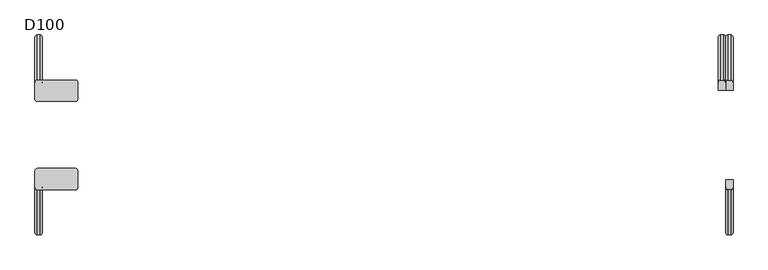
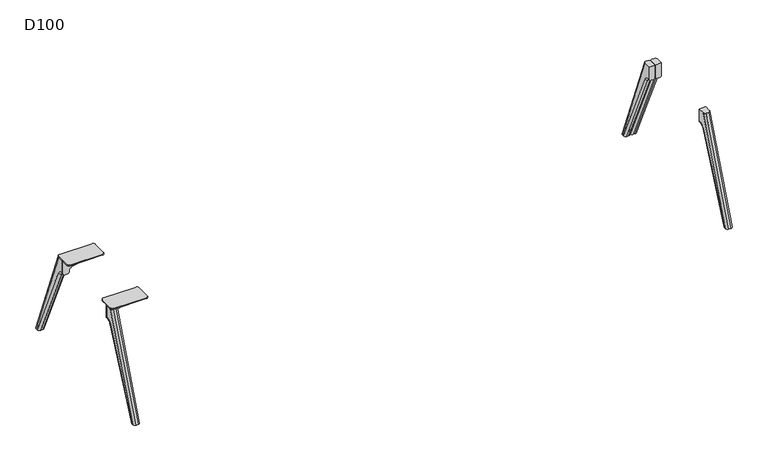
"""IFC4 building model written with IfcOpenShell, lengths in millimetres: furniture geometry, D100."""

from ifc_helpers import new_model, si_unit, point, frame, origin, place, context, project, spatial, polyline, circle_curve, ellipse_curve, trimmed, source, transform, mapped, element, save
from ifc_brep_helpers import plane_surface, cylinder_surface, revolved_surface, advanced_brep


def d100_f9f9dcb7(model_context):
    return source(origin(), model_context, "Body", "AdvancedBrep", [
        advanced_brep(
        [(990.0, 270.7236545, 700.0), (990.0, 316.6217076, 700.0), (990.0, 589.8218305, 0.0), (990.0, 579.4203292, 0.0), (990.0, 319.3435487, 580.82862), (990.0, 272.7758244, 611.0), (990.0, 270.7236545, 611.0), (1035.0, 316.6217076, 700.0), (1035.0, 270.7236545, 700.0), (1035.0, 270.7236545, 611.0), (1035.0, 272.7758244, 611.0), (1035.0, 319.3435487, 580.82862), (1035.0, 579.4203292, 0.0), (1035.0, 589.8218305, 0.0), (1020.0, 332.7236545, 700.0), (1005.0, 332.7236545, 700.0), (1020.0, 605.9237773, 0.0), (1005.0, 605.9237773, 0.0), (1020.0, 562.9852524, 0.0), (1005.0, 562.9852524, 0.0), (1020.0, 305.6533176, 574.6985653), (1005.0, 305.6533176, 574.6985653), (1020.0, 272.7758244, 596.0), (1005.0, 272.7758244, 596.0), (1020.0, 270.7236545, 596.0), (1005.0, 270.7236545, 596.0)],
        [
            (0, 1),
            (1, 2),
            (2, 3),
            (3, 4),
            (4, 5, circle_curve(frame((990.0, 272.7758244, 559.9770583), z_axis=(1.0, 0.0, 0.0), x_axis=(0.0, 0.0, 1.0)), 51.0229417)),
            (5, 6),
            (6, 0),
            (7, 8),
            (8, 9),
            (9, 10),
            (10, 11, circle_curve(frame((1035.0, 272.7758244, 559.9770583), z_axis=(-1.0, 0.0, 0.0), x_axis=(0.0, 0.0, 1.0)), 51.0229417)),
            (11, 12),
            (12, 13),
            (13, 7),
            (0, 8),
            (7, 14, ellipse_curve(frame((1020.0, 316.6217076, 700.0), z_axis=(0.0, 0.0, 1.0), x_axis=(0.0, -1.0, 0.0)), 16.1019468, 15.0)),
            (14, 15),
            (15, 1, ellipse_curve(frame((1005.0, 316.6217076, 700.0), z_axis=(0.0, 0.0, 1.0), x_axis=(0.0, -1.0, 0.0)), 16.1019468, 15.0)),
            (14, 16),
            (16, 17),
            (17, 15),
            (16, 13, ellipse_curve(frame((1020.0, 589.8218305, 0.0), z_axis=(0.0, 0.0, -1.0), x_axis=(0.0, -0.9999999999999999, 0.0)), 16.1019468, 15.0)),
            (12, 18, ellipse_curve(frame((1020.0, 579.4203292, 0.0), z_axis=(0.0, 0.0, -1.0), x_axis=(0.0, 0.9999999999999999, 0.0)), 16.4350768, 15.0)),
            (18, 19),
            (19, 3, ellipse_curve(frame((1005.0, 579.4203292, 0.0), z_axis=(0.0, 0.0, -1.0), x_axis=(0.0, 0.9999999999999999, 0.0)), 16.4350768, 15.0)),
            (2, 17, ellipse_curve(frame((1005.0, 589.8218305, 0.0), z_axis=(0.0, 0.0, -1.0), x_axis=(0.0, -0.9999999999999999, 0.0)), 16.1019468, 15.0)),
            (18, 20),
            (20, 21),
            (21, 19),
            (20, 22, circle_curve(frame((1020.0, 272.7758244, 559.9770583), z_axis=(1.0, 0.0, 0.0), x_axis=(0.0, -1.0, 0.0)), 36.0229417)),
            (22, 23),
            (23, 21, circle_curve(frame((1005.0, 272.7758244, 559.9770583), z_axis=(-1.0, 0.0, 0.0), x_axis=(0.0, -1.0, 0.0)), 36.0229417)),
            (22, 24),
            (24, 25),
            (25, 23),
            (6, 25, circle_curve(frame((1005.0, 270.7236545, 611.0), z_axis=(0.0, -1.0, 0.0), x_axis=(0.0, 0.0, -1.0)), 15.0)),
            (24, 9, circle_curve(frame((1020.0, 270.7236545, 611.0), z_axis=(0.0, -1.0, 0.0), x_axis=(0.0, 0.0, -1.0)), 15.0)),
            (22, 10, circle_curve(frame((1020.0, 272.7758244, 611.0), z_axis=(0.0, -1.0, 0.0), x_axis=(0.0, 0.0, -1.0)), 15.0)),
            (5, 23, circle_curve(frame((1005.0, 272.7758244, 611.0), z_axis=(0.0, -1.0, 0.0), x_axis=(0.0, 0.0, -1.0)), 15.0)),
            (11, 20, circle_curve(frame((1020.0, 319.3435487, 580.82862), z_axis=(0.0, 0.40867031649691005, -0.9126820763082376), x_axis=(0.0, -0.9126820763082376, -0.40867031649691005)), 15.0)),
            (21, 4, circle_curve(frame((1005.0, 319.3435487, 580.82862), z_axis=(0.0, 0.40867031649691005, -0.9126820763082376), x_axis=(0.0, -0.9126820763082376, -0.40867031649691005)), 15.0)),
        ],
        [
            plane_surface(frame((990.0, 291.5455549, 700.0), z_axis=(-1.0, 0.0, 0.0), x_axis=(0.0, 1.0, 0.0))),
            plane_surface(frame((1035.0, 291.5455549, 700.0), z_axis=(1.0, 0.0, 0.0), x_axis=(0.0, -1.0, 0.0))),
            plane_surface(frame((990.0, 270.7236545, 700.0), z_axis=(0.0, 0.0, 1.0), x_axis=(1.0, 0.0, 0.0))),
            plane_surface(frame((990.0, 332.7236545, 700.0), z_axis=(0.0, 0.9315643722265751, 0.3635764299265108), x_axis=(1.0, 0.0, 0.0))),
            plane_surface(frame((990.0, 605.9237773, 0.0), z_axis=(0.0, 0.0, -1.0), x_axis=(1.0, 0.0, 0.0))),
            plane_surface(frame((990.0, 562.9852524, 0.0), z_axis=(0.0, -0.9126820763082374, -0.4086703164969102), x_axis=(1.0, 0.0, 0.0))),
            revolved_surface(polyline([(1020.0, 236.7528827, 559.9770583), (1005.0, 236.7528827, 559.9770583)]), (1035.0, 272.7758244, 559.9770583), (1.0, 0.0, 0.0)),
            plane_surface(frame((990.0, 272.7758244, 596.0), z_axis=(0.0, 0.0, -1.0), x_axis=(1.0, 0.0, 0.0))),
            plane_surface(frame((990.0, 270.7236545, 596.0), z_axis=(0.0, -1.0, 0.0), x_axis=(1.0, 0.0, 0.0))),
            cylinder_surface(frame((1020.0, 599.6644228, -25.2189296), z_axis=(0.0, -0.3635764299265101, 0.9315643722265754), x_axis=(0.0, 0.9315643722265754, 0.3635764299265101)), 15.0),
            cylinder_surface(frame((1005.0, 599.6644228, -25.2189296), z_axis=(0.0, -0.3635764299265101, 0.9315643722265754), x_axis=(0.0, 0.9315643722265754, 0.3635764299265101)), 15.0),
            cylinder_surface(frame((1020.0, -272.7758244, 611.0), z_axis=(0.0, 1.0, 0.0), x_axis=(0.0, 0.0, -1.0)), 15.0),
            cylinder_surface(frame((1005.0, -272.7758244, 611.0), z_axis=(0.0, 1.0, 0.0), x_axis=(0.0, 0.0, -1.0)), 15.0),
            cylinder_surface(frame((1020.0, 319.3435487, 580.82862), z_axis=(0.0, 0.40867031649691005, -0.9126820763082376), x_axis=(0.0, -0.9126820763082376, -0.40867031649691005)), 15.0),
            cylinder_surface(frame((1005.0, 319.3435487, 580.82862), z_axis=(0.0, 0.40867031649691005, -0.9126820763082376), x_axis=(0.0, -0.9126820763082376, -0.40867031649691005)), 15.0),
            revolved_surface(trimmed(ellipse_curve(frame((1020.0, 272.7758244, 611.0), z_axis=(0.0, -1.0, 0.0), x_axis=(0.0, 0.0, -1.0)), 15.0, 15.0), [point((1020.0, 272.7758244, 596.0))], [point((1035.0, 272.7758244, 611.0))], True, "CARTESIAN"), (253.0, 272.7758244, 559.9770583), (-1.0, 0.0, 0.0)),
            revolved_surface(trimmed(ellipse_curve(frame((1005.0, 272.7758244, 611.0), z_axis=(0.0, -1.0, 0.0), x_axis=(0.0, 0.0, -1.0)), 15.0, 15.0), [point((990.0, 272.7758244, 611.0))], [point((1005.0, 272.7758244, 596.0))], True, "CARTESIAN"), (253.0, 272.7758244, 559.9770583), (-1.0, 0.0, 0.0)),
        ],
        [
            (0, [[1, 2, 3, 4, 5, 6, 7]]),
            (1, [[8, 9, 10, 11, 12, 13, 14]]),
            (2, [[15, -8, 16, 17, 18, -1]]),
            (3, [[-17, 19, 20, 21]]),
            (4, [[-20, 22, -13, 23, 24, 25, -3, 26]]),
            (5, [[-24, 27, 28, 29]]),
            (6, [[-28, 30, 31, 32]]),
            (7, [[-31, 33, 34, 35]]),
            (8, [[-15, -7, 36, -34, 37, -9]]),
            (9, [[-14, -22, -19, -16]]),
            (10, [[-2, -18, -21, -26]]),
            (11, [[38, -10, -37, -33]]),
            (12, [[39, -35, -36, -6]]),
            (13, [[40, -27, -23, -12]]),
            (14, [[41, -4, -25, -29]]),
            (15, [[-38, -30, -40, -11]]),
            (16, [[-39, -5, -41, -32]]),
        ],
    ),
        advanced_brep(
        [(1035.0, 272.7758244, 611.0), (1050.0, 272.7758244, 596.0), (1050.0, 270.7236545, 596.0), (1035.0, 270.7236545, 611.0), (1065.0, 272.7758244, 596.0), (1080.0, 272.7758244, 611.0), (1080.0, 270.7236545, 611.0), (1065.0, 270.7236545, 596.0), (1050.0, 305.6533176, 574.6985653), (1035.0, 319.3435487, 580.82862), (1035.0, 579.4203292, 0.0), (1050.0, 562.9852524, 0.0), (1080.0, 319.3435487, 580.82862), (1065.0, 305.6533176, 574.6985653), (1065.0, 562.9852524, 0.0), (1080.0, 579.4203292, 0.0), (1080.0, 270.7236545, 700.0), (1080.0, 589.8218305, 0.0), (1080.0, 316.6217076, 700.0), (1035.0, 270.7236545, 700.0), (1035.0, 316.6217076, 700.0), (1035.0, 589.8218305, 0.0), (1065.0, 332.7236545, 700.0), (1050.0, 332.7236545, 700.0), (1065.0, 605.9237773, 0.0), (1050.0, 605.9237773, 0.0)],
        [
            (0, 1, circle_curve(frame((1050.0, 272.7758244, 611.0), z_axis=(0.0, -1.0, 0.0), x_axis=(0.0, 0.0, 1.0)), 15.0)),
            (1, 2),
            (2, 3, circle_curve(frame((1050.0, 270.7236545, 611.0), z_axis=(0.0, 1.0, 0.0), x_axis=(0.0, 0.0, 1.0)), 15.0)),
            (3, 0),
            (4, 5, circle_curve(frame((1065.0, 272.7758244, 611.0), z_axis=(0.0, -1.0, 0.0), x_axis=(0.0, 0.0, 1.0)), 15.0)),
            (5, 6),
            (6, 7, circle_curve(frame((1065.0, 270.7236545, 611.0), z_axis=(0.0, 1.0, 0.0), x_axis=(0.0, 0.0, 1.0)), 15.0)),
            (7, 4),
            (8, 9, circle_curve(frame((1050.0, 319.3435487, 580.82862), z_axis=(0.0, 0.40867031649691005, -0.9126820763082376), x_axis=(0.0, 0.9126820763082376, 0.40867031649691005)), 15.0)),
            (9, 10),
            (10, 11, ellipse_curve(frame((1050.0, 579.4203292, 0.0), z_axis=(0.0, 0.0, 1.0), x_axis=(0.0, 0.9999999999999999, 0.0)), 16.4350768, 15.0)),
            (11, 8),
            (12, 13, circle_curve(frame((1065.0, 319.3435487, 580.82862), z_axis=(0.0, 0.40867031649691005, -0.9126820763082376), x_axis=(0.0, 0.9126820763082376, 0.40867031649691005)), 15.0)),
            (13, 14),
            (14, 15, ellipse_curve(frame((1065.0, 579.4203292, 0.0), z_axis=(0.0, 0.0, 1.0), x_axis=(0.0, 0.9999999999999999, 0.0)), 16.4350768, 15.0)),
            (15, 12),
            (0, 9, circle_curve(frame((1035.0, 272.7758244, 559.9770583), z_axis=(-1.0, 0.0, 0.0), x_axis=(0.0, 0.0, 1.0)), 51.0229417)),
            (8, 1, circle_curve(frame((1050.0, 272.7758244, 559.9770583), z_axis=(1.0, 0.0, 0.0), x_axis=(0.0, 0.0, 1.0)), 36.0229417)),
            (4, 13, circle_curve(frame((1065.0, 272.7758244, 559.9770583), z_axis=(-1.0, 0.0, 0.0), x_axis=(0.0, 0.0, 1.0)), 36.0229417)),
            (12, 5, circle_curve(frame((1080.0, 272.7758244, 559.9770583), z_axis=(1.0, 0.0, 0.0), x_axis=(0.0, 0.0, 1.0)), 51.0229417)),
            (16, 6),
            (15, 17),
            (17, 18),
            (18, 16),
            (3, 19),
            (19, 20),
            (20, 21),
            (21, 10),
            (19, 16),
            (18, 22, ellipse_curve(frame((1065.0, 316.6217076, 700.0), z_axis=(0.0, 0.0, 1.0), x_axis=(0.0, -1.0, 0.0)), 16.1019468, 15.0)),
            (22, 23),
            (23, 20, ellipse_curve(frame((1050.0, 316.6217076, 700.0), z_axis=(0.0, 0.0, 1.0), x_axis=(0.0, -1.0, 0.0)), 16.1019468, 15.0)),
            (22, 24),
            (24, 25),
            (25, 23),
            (14, 11),
            (21, 25, ellipse_curve(frame((1050.0, 589.8218305, 0.0), z_axis=(0.0, 0.0, -1.0), x_axis=(0.0, -0.9999999999999999, 0.0)), 16.1019468, 15.0)),
            (24, 17, ellipse_curve(frame((1065.0, 589.8218305, 0.0), z_axis=(0.0, 0.0, -1.0), x_axis=(0.0, -0.9999999999999999, 0.0)), 16.1019468, 15.0)),
            (13, 8),
            (4, 1),
            (7, 2),
        ],
        [
            cylinder_surface(frame((1050.0, -272.7758244, 611.0), z_axis=(0.0, 1.0, 0.0), x_axis=(0.0, 0.0, 1.0)), 15.0),
            cylinder_surface(frame((1065.0, -272.7758244, 611.0), z_axis=(0.0, 1.0, 0.0), x_axis=(0.0, 0.0, 1.0)), 15.0),
            cylinder_surface(frame((1050.0, 319.3435487, 580.82862), z_axis=(0.0, 0.40867031649691005, -0.9126820763082376), x_axis=(0.0, 0.9126820763082376, 0.40867031649691005)), 15.0),
            cylinder_surface(frame((1065.0, 319.3435487, 580.82862), z_axis=(0.0, 0.40867031649691005, -0.9126820763082376), x_axis=(0.0, 0.9126820763082376, 0.40867031649691005)), 15.0),
            revolved_surface(trimmed(ellipse_curve(frame((1050.0, 272.7758244, 611.0), z_axis=(0.0, -1.0, 0.0), x_axis=(0.0, 0.0, 1.0)), 15.0, 15.0), [point((1035.0, 272.7758244, 611.0))], [point((1050.0, 272.7758244, 596.0))], True, "CARTESIAN"), (1817.0, 272.7758244, 559.9770583), (-1.0, 0.0, 0.0)),
            revolved_surface(trimmed(ellipse_curve(frame((1065.0, 272.7758244, 611.0), z_axis=(0.0, -1.0, 0.0), x_axis=(0.0, 0.0, 1.0)), 15.0, 15.0), [point((1065.0, 272.7758244, 596.0))], [point((1080.0, 272.7758244, 611.0))], True, "CARTESIAN"), (1817.0, 272.7758244, 559.9770583), (-1.0, 0.0, 0.0)),
            plane_surface(frame((1080.0, 270.7236545, 596.0), z_axis=(1.0, 0.0, 0.0), x_axis=(0.0, 0.0, -1.0))),
            plane_surface(frame((1035.0, 270.7236545, 596.0), z_axis=(-1.0, 0.0, 0.0), x_axis=(0.0, 0.0, 1.0))),
            plane_surface(frame((1080.0, 332.7236545, 700.0), z_axis=(0.0, 0.0, 1.0), x_axis=(-1.0, 0.0, 0.0))),
            plane_surface(frame((1080.0, 605.9237773, 0.0), z_axis=(0.0, 0.9315643722265751, 0.3635764299265108), x_axis=(-1.0, 0.0, 0.0))),
            plane_surface(frame((1080.0, 562.9852524, 0.0), z_axis=(0.0, 0.0, -1.0), x_axis=(-1.0, 0.0, 0.0))),
            plane_surface(frame((1080.0, 305.6533176, 574.6985653), z_axis=(0.0, -0.9126820763082374, -0.4086703164969102), x_axis=(-1.0, 0.0, 0.0))),
            revolved_surface(polyline([(1050.0, 236.7528827, 559.9770583), (1065.0, 236.7528827, 559.9770583)]), (1035.0, 272.7758244, 559.9770583), (-1.0, 0.0, 0.0)),
            plane_surface(frame((1080.0, 270.7236545, 596.0), z_axis=(0.0, 0.0, -1.0), x_axis=(-1.0, 0.0, 0.0))),
            plane_surface(frame((1080.0, 270.7236545, 700.0), z_axis=(0.0, -1.0, 0.0), x_axis=(-1.0, 0.0, 0.0))),
            cylinder_surface(frame((1050.0, 599.6644228, -25.2189296), z_axis=(0.0, -0.3635764299265101, 0.9315643722265754), x_axis=(0.0, -0.9315643722265754, -0.3635764299265101)), 15.0),
            cylinder_surface(frame((1065.0, 599.6644228, -25.2189296), z_axis=(0.0, -0.3635764299265101, 0.9315643722265754), x_axis=(0.0, -0.9315643722265754, -0.3635764299265101)), 15.0),
        ],
        [
            (0, [[1, 2, 3, 4]]),
            (1, [[5, 6, 7, 8]]),
            (2, [[9, 10, 11, 12]]),
            (3, [[13, 14, 15, 16]]),
            (4, [[-1, 17, -9, 18]]),
            (5, [[-5, 19, -13, 20]]),
            (6, [[21, -6, -20, -16, 22, 23, 24]]),
            (7, [[25, 26, 27, 28, -10, -17, -4]]),
            (8, [[29, -24, 30, 31, 32, -26]]),
            (9, [[-31, 33, 34, 35]]),
            (10, [[36, -11, -28, 37, -34, 38, -22, -15]]),
            (11, [[-36, -14, 39, -12]]),
            (12, [[-39, -19, 40, -18]]),
            (13, [[-40, -8, 41, -2]]),
            (14, [[-29, -25, -3, -41, -7, -21]]),
            (15, [[-27, -32, -35, -37]]),
            (16, [[-23, -38, -33, -30]]),
        ],
    ),
        advanced_brep(
        [(1080.0, -270.7236545, 700.0), (1080.0, -316.6217076, 700.0), (1080.0, -589.8218305, 0.0), (1080.0, -579.4203292, 0.0), (1080.0, -319.3435487, 580.82862), (1080.0, -272.7758244, 611.0), (1080.0, -270.7236545, 611.0), (1035.0, -316.6217076, 700.0), (1035.0, -270.7236545, 700.0), (1035.0, -270.7236545, 611.0), (1035.0, -272.7758244, 611.0), (1035.0, -319.3435487, 580.82862), (1035.0, -579.4203292, 0.0), (1035.0, -589.8218305, 0.0), (1050.0, -332.7236545, 700.0), (1065.0, -332.7236545, 700.0), (1050.0, -605.9237773, 0.0), (1065.0, -605.9237773, 0.0), (1050.0, -562.9852524, 0.0), (1065.0, -562.9852524, 0.0), (1050.0, -305.6533176, 574.6985653), (1065.0, -305.6533176, 574.6985653), (1050.0, -272.7758244, 596.0), (1065.0, -272.7758244, 596.0), (1050.0, -270.7236545, 596.0), (1065.0, -270.7236545, 596.0)],
        [
            (0, 1),
            (1, 2),
            (2, 3),
            (3, 4),
            (4, 5, circle_curve(frame((1080.0, -272.7758244, 559.9770583), z_axis=(-1.0, 0.0, 0.0), x_axis=(0.0, -0.9126820763082377, 0.4086703164969095)), 51.0229417)),
            (5, 6),
            (6, 0),
            (7, 8),
            (8, 9),
            (9, 10),
            (10, 11, circle_curve(frame((1035.0, -272.7758244, 559.9770583), z_axis=(1.0, 0.0, 0.0), x_axis=(0.0, -0.9126820763082377, 0.4086703164969095)), 51.0229417)),
            (11, 12),
            (12, 13),
            (13, 7),
            (0, 8),
            (7, 14, ellipse_curve(frame((1050.0, -316.6217076, 700.0), z_axis=(0.0, 0.0, 1.0), x_axis=(0.0, 1.0, 0.0)), 16.1019468, 15.0)),
            (14, 15),
            (15, 1, ellipse_curve(frame((1065.0, -316.6217076, 700.0), z_axis=(0.0, 0.0, 1.0), x_axis=(0.0, 1.0, 0.0)), 16.1019468, 15.0)),
            (14, 16),
            (16, 17),
            (17, 15),
            (16, 13, ellipse_curve(frame((1050.0, -589.8218305, 0.0), z_axis=(0.0, 0.0, -1.0), x_axis=(0.0, 0.9999999999999999, 0.0)), 16.1019468, 15.0)),
            (12, 18, ellipse_curve(frame((1050.0, -579.4203292, 0.0), z_axis=(0.0, 0.0, -1.0), x_axis=(0.0, 1.0, 0.0)), 16.4350768, 15.0)),
            (18, 19),
            (19, 3, ellipse_curve(frame((1065.0, -579.4203292, 0.0), z_axis=(0.0, 0.0, -1.0), x_axis=(0.0, 1.0, 0.0)), 16.4350768, 15.0)),
            (2, 17, ellipse_curve(frame((1065.0, -589.8218305, 0.0), z_axis=(0.0, 0.0, -1.0), x_axis=(0.0, 0.9999999999999999, 0.0)), 16.1019468, 15.0)),
            (18, 20),
            (20, 21),
            (21, 19),
            (20, 22, circle_curve(frame((1050.0, -272.7758244, 559.9770583), z_axis=(-1.0, 0.0, 0.0), x_axis=(0.0, 1.0, 0.0)), 36.0229417)),
            (22, 23),
            (23, 21, circle_curve(frame((1065.0, -272.7758244, 559.9770583), z_axis=(1.0, 0.0, 0.0), x_axis=(0.0, 1.0, 0.0)), 36.0229417)),
            (22, 24),
            (24, 25),
            (25, 23),
            (6, 25, circle_curve(frame((1065.0, -270.7236545, 611.0), z_axis=(0.0, 1.0, 0.0), x_axis=(0.0, 0.0, 1.0)), 15.0)),
            (24, 9, circle_curve(frame((1050.0, -270.7236545, 611.0), z_axis=(0.0, 1.0, 0.0), x_axis=(0.0, 0.0, 1.0)), 15.0)),
            (11, 20, circle_curve(frame((1050.0, -319.3435487, 580.82862), z_axis=(0.0, -0.40867031649690977, -0.9126820763082376), x_axis=(0.0, -0.9126820763082376, 0.40867031649690977)), 15.0)),
            (21, 4, circle_curve(frame((1065.0, -319.3435487, 580.82862), z_axis=(0.0, -0.40867031649690977, -0.9126820763082376), x_axis=(0.0, -0.9126820763082376, 0.40867031649690977)), 15.0)),
            (22, 10, circle_curve(frame((1050.0, -272.7758244, 611.0), z_axis=(0.0, 1.0, 0.0), x_axis=(0.0, 0.0, 1.0)), 15.0)),
            (5, 23, circle_curve(frame((1065.0, -272.7758244, 611.0), z_axis=(0.0, 1.0, 0.0), x_axis=(0.0, 0.0, 1.0)), 15.0)),
        ],
        [
            plane_surface(frame((1080.0, -291.5455549, 700.0), z_axis=(1.0, 0.0, 0.0), x_axis=(0.0, -1.0, 0.0))),
            plane_surface(frame((1035.0, -291.5455549, 700.0), z_axis=(-1.0, 0.0, 0.0), x_axis=(0.0, 1.0, 0.0))),
            plane_surface(frame((1080.0, -270.7236545, 700.0), z_axis=(0.0, 0.0, 1.0), x_axis=(-1.0, 0.0, 0.0))),
            plane_surface(frame((1080.0, -332.7236545, 700.0), z_axis=(0.0, -0.9315643722265751, 0.3635764299265108), x_axis=(-1.0, 0.0, 0.0))),
            plane_surface(frame((1080.0, -605.9237773, 0.0), z_axis=(0.0, 0.0, -1.0), x_axis=(-1.0, 0.0, 0.0))),
            plane_surface(frame((1080.0, -562.9852524, 0.0), z_axis=(0.0, 0.9126820763082375, -0.4086703164969101), x_axis=(-1.0, 0.0, 0.0))),
            revolved_surface(polyline([(1050.0, -236.7528827, 559.9770583), (1065.0, -236.7528827, 559.9770583)]), (1035.0, -272.7758244, 559.9770583), (-1.0, 0.0, 0.0)),
            plane_surface(frame((1080.0, -272.7758244, 596.0), z_axis=(0.0, 0.0, -1.0), x_axis=(-1.0, 0.0, 0.0))),
            plane_surface(frame((1080.0, -270.7236545, 596.0), z_axis=(0.0, 1.0, 0.0), x_axis=(-1.0, 0.0, 0.0))),
            cylinder_surface(frame((1050.0, -599.6644228, -25.2189296), z_axis=(0.0, 0.3635764299265101, 0.9315643722265754), x_axis=(0.0, -0.9315643722265754, 0.3635764299265101)), 15.0),
            cylinder_surface(frame((1065.0, -599.6644228, -25.2189296), z_axis=(0.0, 0.3635764299265101, 0.9315643722265754), x_axis=(0.0, -0.9315643722265754, 0.3635764299265101)), 15.0),
            cylinder_surface(frame((1050.0, -584.7803586, -11.9705362), z_axis=(0.0, 0.40867031649690977, 0.9126820763082376), x_axis=(0.0, -0.9126820763082376, 0.40867031649690977)), 15.0),
            cylinder_surface(frame((1065.0, -584.7803586, -11.9705362), z_axis=(0.0, 0.40867031649690977, 0.9126820763082376), x_axis=(0.0, -0.9126820763082376, 0.40867031649690977)), 15.0),
            cylinder_surface(frame((1050.0, -272.7758244, 611.0), z_axis=(0.0, 1.0, 0.0), x_axis=(0.0, 0.0, 1.0)), 15.0),
            cylinder_surface(frame((1065.0, -272.7758244, 611.0), z_axis=(0.0, 1.0, 0.0), x_axis=(0.0, 0.0, 1.0)), 15.0),
            revolved_surface(trimmed(ellipse_curve(frame((1050.0, -319.3435487, 580.82862), z_axis=(0.0, -0.4086703164969093, -0.9126820763082378), x_axis=(0.0, -0.9126820763082378, 0.4086703164969093)), 15.0, 15.0), [point((1035.0, -319.3435487, 580.82862))], [point((1050.0, -305.6533176, 574.6985653))], True, "CARTESIAN"), (1817.0, -272.7758244, 559.9770583), (-1.0, 0.0, 0.0)),
            revolved_surface(trimmed(ellipse_curve(frame((1065.0, -319.3435487, 580.82862), z_axis=(0.0, -0.4086703164969093, -0.9126820763082378), x_axis=(0.0, -0.9126820763082378, 0.4086703164969093)), 15.0, 15.0), [point((1065.0, -305.6533176, 574.6985653))], [point((1080.0, -319.3435487, 580.82862))], True, "CARTESIAN"), (1817.0, -272.7758244, 559.9770583), (-1.0, 0.0, 0.0)),
        ],
        [
            (0, [[1, 2, 3, 4, 5, 6, 7]]),
            (1, [[8, 9, 10, 11, 12, 13, 14]]),
            (2, [[15, -8, 16, 17, 18, -1]]),
            (3, [[-17, 19, 20, 21]]),
            (4, [[-20, 22, -13, 23, 24, 25, -3, 26]]),
            (5, [[-24, 27, 28, 29]]),
            (6, [[-28, 30, 31, 32]]),
            (7, [[-31, 33, 34, 35]]),
            (8, [[-15, -7, 36, -34, 37, -9]]),
            (9, [[-14, -22, -19, -16]]),
            (10, [[-2, -18, -21, -26]]),
            (11, [[38, -27, -23, -12]]),
            (12, [[39, -4, -25, -29]]),
            (13, [[40, -10, -37, -33]]),
            (14, [[41, -35, -36, -6]]),
            (15, [[-38, -11, -40, -30]]),
            (16, [[-39, -32, -41, -5]]),
        ],
    ),
        advanced_brep(
        [(-3079.2740174, 270.7236545, 641.5327762), (-3104.0036896, 270.7236545, 611.3326759), (-3119.0, 270.7236545, 596.0), (-3134.0, 270.7236545, 596.0), (-3149.0, 270.7236545, 611.0), (-3149.0, 270.7236545, 700.0), (-2889.0, 270.7236545, 700.0), (-2889.0, 270.7236545, 692.1898324), (-2905.4913675, 270.7236545, 672.5), (-3079.2740174, 264.7236545, 641.5327762), (-2905.4913675, 264.7236545, 672.5), (-2889.0, 264.7236545, 692.1898324), (-2889.0, 264.7236545, 700.0), (-3149.0, 264.7236545, 700.0), (-3149.0, 264.7236545, 611.0), (-3134.0, 264.7236545, 596.0), (-3119.0, 264.7236545, 596.0), (-3104.0036896, 264.7236545, 611.3326759), (-3149.0, 218.7236545, 700.0), (-3149.0, 218.7236545, 706.0), (-3149.0, 316.7236545, 706.0), (-3149.0, 316.7236545, 700.0), (-3133.0, 202.7236545, 706.0), (-2905.0, 202.7236545, 706.0), (-2889.0, 218.7236545, 706.0), (-2889.0, 316.7236545, 706.0), (-2905.0, 332.7236545, 706.0), (-3133.0, 332.7236545, 706.0), (-2889.0, 218.7236545, 700.0), (-2889.0, 316.7236545, 700.0), (-3133.0, 202.7236545, 700.0), (-2905.0, 202.7236545, 700.0), (-3133.0, 332.7236545, 700.0), (-2905.0, 332.7236545, 700.0)],
        [
            (0, 1, circle_curve(frame((-3074.0110687, 270.7236545, 611.9980276), z_axis=(0.0, -1.0, 0.0), x_axis=(-1.0, 0.0, 0.0)), 30.0)),
            (1, 2, circle_curve(frame((-3119.0, 270.7236545, 611.0), z_axis=(0.0, 1.0, 0.0), x_axis=(-1.0, 0.0, 0.0)), 15.0)),
            (2, 3),
            (3, 4, circle_curve(frame((-3134.0, 270.7236545, 611.0), z_axis=(0.0, 1.0, 0.0), x_axis=(-1.0, 0.0, 0.0)), 15.0)),
            (4, 5),
            (5, 6),
            (6, 7),
            (7, 8, circle_curve(frame((-2909.0, 270.7236545, 692.1898324), z_axis=(0.0, 1.0, 0.0), x_axis=(-1.0, 0.0, 0.0)), 20.0)),
            (8, 0),
            (9, 10),
            (10, 11, circle_curve(frame((-2909.0, 264.7236545, 692.1898324), z_axis=(0.0, -1.0, 0.0), x_axis=(-1.0, 0.0, 0.0)), 20.0)),
            (11, 12),
            (12, 13),
            (13, 14),
            (14, 15, circle_curve(frame((-3134.0, 264.7236545, 611.0), z_axis=(0.0, -1.0, 0.0), x_axis=(-1.0, 0.0, 0.0)), 15.0)),
            (15, 16),
            (16, 17, circle_curve(frame((-3119.0, 264.7236545, 611.0), z_axis=(0.0, -1.0, 0.0), x_axis=(-1.0, 0.0, 0.0)), 15.0)),
            (17, 9, circle_curve(frame((-3074.0110687, 264.7236545, 611.9980276), z_axis=(0.0, 1.0, 0.0), x_axis=(-1.0, 0.0, 0.0)), 30.0)),
            (0, 9),
            (17, 1),
            (4, 14),
            (13, 18),
            (18, 19),
            (19, 20),
            (20, 21),
            (21, 5),
            (19, 22, circle_curve(frame((-3133.0, 218.7236545, 706.0), z_axis=(0.0, 0.0, 1.0), x_axis=(1.0, 0.0, 0.0)), 16.0)),
            (22, 23),
            (23, 24, circle_curve(frame((-2905.0, 218.7236545, 706.0), z_axis=(0.0, 0.0, 1.0), x_axis=(1.0, 0.0, 0.0)), 16.0)),
            (24, 25),
            (25, 26, circle_curve(frame((-2905.0, 316.7236545, 706.0), z_axis=(0.0, 0.0, 1.0), x_axis=(1.0, 0.0, 0.0)), 16.0)),
            (26, 27),
            (27, 20, circle_curve(frame((-3133.0, 316.7236545, 706.0), z_axis=(0.0, 0.0, 1.0), x_axis=(1.0, 0.0, 0.0)), 16.0)),
            (24, 28),
            (28, 12),
            (11, 7),
            (6, 29),
            (29, 25),
            (10, 8),
            (16, 2),
            (15, 3),
            (30, 18, circle_curve(frame((-3133.0, 218.7236545, 700.0), z_axis=(0.0, 0.0, -1.0), x_axis=(1.0, 0.0, 0.0)), 16.0)),
            (28, 31, circle_curve(frame((-2905.0, 218.7236545, 700.0), z_axis=(0.0, 0.0, -1.0), x_axis=(1.0, 0.0, 0.0)), 16.0)),
            (31, 30),
            (21, 32, circle_curve(frame((-3133.0, 316.7236545, 700.0), z_axis=(0.0, 0.0, -1.0), x_axis=(1.0, 0.0, 0.0)), 16.0)),
            (32, 33),
            (33, 29, circle_curve(frame((-2905.0, 316.7236545, 700.0), z_axis=(0.0, 0.0, -1.0), x_axis=(1.0, 0.0, 0.0)), 16.0)),
            (30, 22),
            (27, 32),
            (26, 33),
            (23, 31),
        ],
        [
            plane_surface(frame((-3104.0110687, 270.7236545, 611.9980276), z_axis=(0.0, 1.0, 0.0), x_axis=(0.0, 0.0, -1.0))),
            plane_surface(frame((-3104.0110687, 264.7236545, 611.9980276), z_axis=(0.0, -1.0, 0.0), x_axis=(0.0, 0.0, 1.0))),
            revolved_surface(polyline([(-3104.0110687, 264.7236545, 611.9980276), (-3104.0110687, 270.7236545, 611.9980276)]), (-3074.0110687, 264.7236545, 611.9980276), (0.0, -1.0, 0.0)),
            plane_surface(frame((-3149.0, 270.7236545, 611.0), z_axis=(-1.0, 0.0, 0.0), x_axis=(0.0, -1.0, 0.0))),
            plane_surface(frame((-3149.0, 270.7236545, 706.0), z_axis=(0.0, 0.0, 1.0), x_axis=(0.0, -1.0, 0.0))),
            plane_surface(frame((-2889.0, 270.7236545, 706.0), z_axis=(1.0, 0.0, 0.0), x_axis=(0.0, -1.0, 0.0))),
            cylinder_surface(frame((-2909.0, 264.7236545, 692.1898324), z_axis=(0.0, 1.0, 0.0), x_axis=(-1.0, 0.0, 0.0)), 20.0),
            plane_surface(frame((-2905.4913675, 270.7236545, 672.5), z_axis=(0.17543162299465018, 0.0, -0.9844916178685642), x_axis=(0.0, -1.0, 0.0))),
            cylinder_surface(frame((-3119.0, 264.7236545, 611.0), z_axis=(0.0, 1.0, 0.0), x_axis=(-1.0, 0.0, 0.0)), 15.0),
            plane_surface(frame((-3119.0, 270.7236545, 596.0), z_axis=(0.0, 0.0, -1.0), x_axis=(0.0, -1.0, 0.0))),
            cylinder_surface(frame((-3134.0, 264.7236545, 611.0), z_axis=(0.0, 1.0, 0.0), x_axis=(-1.0, 0.0, 0.0)), 15.0),
            plane_surface(frame((-2905.0, 202.7236545, 700.0), z_axis=(0.0, 0.0, -1.0), x_axis=(-1.0, 0.0, 0.0))),
            cylinder_surface(frame((-3133.0, 218.7236545, 700.0), z_axis=(0.0, 0.0, 1.0), x_axis=(1.0, 0.0, 0.0)), 16.0),
            cylinder_surface(frame((-3133.0, 316.7236545, 700.0), z_axis=(0.0, 0.0, 1.0), x_axis=(1.0, 0.0, 0.0)), 16.0),
            plane_surface(frame((-2905.0, 332.7236545, 706.0), z_axis=(0.0, 1.0, 0.0), x_axis=(0.0, 0.0, -1.0))),
            cylinder_surface(frame((-2905.0, 316.7236545, 700.0), z_axis=(0.0, 0.0, 1.0), x_axis=(1.0, 0.0, 0.0)), 16.0),
            cylinder_surface(frame((-2905.0, 218.7236545, 700.0), z_axis=(0.0, 0.0, 1.0), x_axis=(1.0, 0.0, 0.0)), 16.0),
            plane_surface(frame((-3133.0, 202.7236545, 706.0), z_axis=(0.0, -1.0, 0.0), x_axis=(0.0, 0.0, -1.0))),
        ],
        [
            (0, [[1, 2, 3, 4, 5, 6, 7, 8, 9]]),
            (1, [[10, 11, 12, 13, 14, 15, 16, 17, 18]]),
            (2, [[-1, 19, -18, 20]]),
            (3, [[21, -14, 22, 23, 24, 25, 26, -5]]),
            (4, [[-24, 27, 28, 29, 30, 31, 32, 33]]),
            (5, [[-30, 34, 35, -12, 36, -7, 37, 38]]),
            (6, [[-8, -36, -11, 39]]),
            (7, [[-9, -39, -10, -19]]),
            (8, [[-2, -20, -17, 40]]),
            (9, [[-3, -40, -16, 41]]),
            (10, [[-4, -41, -15, -21]]),
            (11, [[42, -22, -13, -35, 43, 44]]),
            (11, [[45, 46, 47, -37, -6, -26]]),
            (12, [[-27, -23, -42, 48]]),
            (13, [[-33, 49, -45, -25]]),
            (14, [[-32, 50, -46, -49]]),
            (15, [[-31, -38, -47, -50]]),
            (16, [[-29, 51, -43, -34]]),
            (17, [[-28, -48, -44, -51]]),
        ],
    ),
        advanced_brep(
        [(-3079.2740174, -270.7236545, 641.5327762), (-2905.4913675, -270.7236545, 672.5), (-2889.0, -270.7236545, 692.1898324), (-2889.0, -270.7236545, 700.0), (-3149.0, -270.7236545, 700.0), (-3149.0, -270.7236545, 611.0), (-3134.0, -270.7236545, 596.0), (-3119.0, -270.7236545, 596.0), (-3104.0036896, -270.7236545, 611.3326759), (-3079.2740174, -264.7236545, 641.5327762), (-3104.0036896, -264.7236545, 611.3326759), (-3119.0, -264.7236545, 596.0), (-3134.0, -264.7236545, 596.0), (-3149.0, -264.7236545, 611.0), (-3149.0, -264.7236545, 700.0), (-2889.0, -264.7236545, 700.0), (-2889.0, -264.7236545, 692.1898324), (-2905.4913675, -264.7236545, 672.5), (-3149.0, -218.7236545, 706.0), (-3149.0, -218.7236545, 700.0), (-3149.0, -316.7236545, 700.0), (-3149.0, -316.7236545, 706.0), (-3133.0, -332.7236545, 706.0), (-2905.0, -332.7236545, 706.0), (-2889.0, -316.7236545, 706.0), (-2889.0, -218.7236545, 706.0), (-2905.0, -202.7236545, 706.0), (-3133.0, -202.7236545, 706.0), (-2889.0, -316.7236545, 700.0), (-2889.0, -218.7236545, 700.0), (-3133.0, -202.7236545, 700.0), (-2905.0, -202.7236545, 700.0), (-2905.0, -332.7236545, 700.0), (-3133.0, -332.7236545, 700.0)],
        [
            (0, 1),
            (1, 2, circle_curve(frame((-2909.0, -270.7236545, 692.1898324), z_axis=(0.0, -1.0, 0.0), x_axis=(-1.0, 0.0, 0.0)), 20.0)),
            (2, 3),
            (3, 4),
            (4, 5),
            (5, 6, circle_curve(frame((-3134.0, -270.7236545, 611.0), z_axis=(0.0, -1.0, 0.0), x_axis=(-1.0, 0.0, 0.0)), 15.0)),
            (6, 7),
            (7, 8, circle_curve(frame((-3119.0, -270.7236545, 611.0), z_axis=(0.0, -1.0, 0.0), x_axis=(-1.0, 0.0, 0.0)), 15.0)),
            (8, 0, circle_curve(frame((-3074.0110687, -270.7236545, 611.9980276), z_axis=(0.0, 1.0, 0.0), x_axis=(-1.0, 0.0, 0.0)), 30.0)),
            (9, 10, circle_curve(frame((-3074.0110687, -264.7236545, 611.9980276), z_axis=(0.0, -1.0, 0.0), x_axis=(-1.0, 0.0, 0.0)), 30.0)),
            (10, 11, circle_curve(frame((-3119.0, -264.7236545, 611.0), z_axis=(0.0, 1.0, 0.0), x_axis=(-1.0, 0.0, 0.0)), 15.0)),
            (11, 12),
            (12, 13, circle_curve(frame((-3134.0, -264.7236545, 611.0), z_axis=(0.0, 1.0, 0.0), x_axis=(-1.0, 0.0, 0.0)), 15.0)),
            (13, 14),
            (14, 15),
            (15, 16),
            (16, 17, circle_curve(frame((-2909.0, -264.7236545, 692.1898324), z_axis=(0.0, 1.0, 0.0), x_axis=(-1.0, 0.0, 0.0)), 20.0)),
            (17, 9),
            (8, 10),
            (9, 0),
            (18, 19),
            (19, 14),
            (13, 5),
            (4, 20),
            (20, 21),
            (21, 18),
            (21, 22, circle_curve(frame((-3133.0, -316.7236545, 706.0), z_axis=(0.0, 0.0, 1.0), x_axis=(1.0, 0.0, 0.0)), 16.0)),
            (22, 23),
            (23, 24, circle_curve(frame((-2905.0, -316.7236545, 706.0), z_axis=(0.0, 0.0, 1.0), x_axis=(1.0, 0.0, 0.0)), 16.0)),
            (24, 25),
            (25, 26, circle_curve(frame((-2905.0, -218.7236545, 706.0), z_axis=(0.0, 0.0, 1.0), x_axis=(1.0, 0.0, 0.0)), 16.0)),
            (26, 27),
            (27, 18, circle_curve(frame((-3133.0, -218.7236545, 706.0), z_axis=(0.0, 0.0, 1.0), x_axis=(1.0, 0.0, 0.0)), 16.0)),
            (24, 28),
            (28, 3),
            (2, 16),
            (15, 29),
            (29, 25),
            (1, 17),
            (7, 11),
            (6, 12),
            (30, 31),
            (31, 29, circle_curve(frame((-2905.0, -218.7236545, 700.0), z_axis=(0.0, 0.0, -1.0), x_axis=(1.0, 0.0, 0.0)), 16.0)),
            (19, 30, circle_curve(frame((-3133.0, -218.7236545, 700.0), z_axis=(0.0, 0.0, -1.0), x_axis=(1.0, 0.0, 0.0)), 16.0)),
            (28, 32, circle_curve(frame((-2905.0, -316.7236545, 700.0), z_axis=(0.0, 0.0, -1.0), x_axis=(1.0, 0.0, 0.0)), 16.0)),
            (32, 33),
            (33, 20, circle_curve(frame((-3133.0, -316.7236545, 700.0), z_axis=(0.0, 0.0, -1.0), x_axis=(1.0, 0.0, 0.0)), 16.0)),
            (27, 30),
            (33, 22),
            (32, 23),
            (31, 26),
        ],
        [
            plane_surface(frame((-2905.4913675, -270.7236545, 672.5), z_axis=(0.0, -1.0, 0.0), x_axis=(0.9844916178685643, 0.0, 0.17543162299464946))),
            plane_surface(frame((-2905.4913675, -264.7236545, 672.5), z_axis=(0.0, 1.0, 0.0), x_axis=(-0.9844916178685643, 0.0, -0.17543162299464946))),
            revolved_surface(polyline([(-3104.0110687, -264.7236545, 611.9980276), (-3104.0110687, -270.7236545, 611.9980276)]), (-3074.0110687, -264.7236545, 611.9980276), (0.0, 1.0, 0.0)),
            plane_surface(frame((-3149.0, -270.7236545, 706.0), z_axis=(-1.0, 0.0, 0.0), x_axis=(0.0, 1.0, 0.0))),
            plane_surface(frame((-2889.0, -270.7236545, 706.0), z_axis=(0.0, 0.0, 1.0), x_axis=(0.0, 1.0, 0.0))),
            plane_surface(frame((-2889.0, -270.7236545, 692.1898324), z_axis=(1.0, 0.0, 0.0), x_axis=(0.0, 1.0, 0.0))),
            cylinder_surface(frame((-2909.0, -264.7236545, 692.1898324), z_axis=(0.0, -1.0, 0.0), x_axis=(-1.0, 0.0, 0.0)), 20.0),
            plane_surface(frame((-3079.2740174, -270.7236545, 641.5327762), z_axis=(0.17543162299464946, 0.0, -0.9844916178685643), x_axis=(0.0, 1.0, 0.0))),
            cylinder_surface(frame((-3119.0, -264.7236545, 611.0), z_axis=(0.0, -1.0, 0.0), x_axis=(-1.0, 0.0, 0.0)), 15.0),
            plane_surface(frame((-3134.0, -270.7236545, 596.0), z_axis=(0.0, 0.0, -1.0), x_axis=(0.0, 1.0, 0.0))),
            cylinder_surface(frame((-3134.0, -264.7236545, 611.0), z_axis=(0.0, -1.0, 0.0), x_axis=(-1.0, 0.0, 0.0)), 15.0),
            plane_surface(frame((-3117.0, -218.7236545, 700.0), z_axis=(0.0, 0.0, -1.0), x_axis=(0.0, -1.0, 0.0))),
            cylinder_surface(frame((-3133.0, -218.7236545, 700.0), z_axis=(0.0, 0.0, 1.0), x_axis=(1.0, 0.0, 0.0)), 16.0),
            cylinder_surface(frame((-3133.0, -316.7236545, 700.0), z_axis=(0.0, 0.0, 1.0), x_axis=(1.0, 0.0, 0.0)), 16.0),
            plane_surface(frame((-3133.0, -332.7236545, 706.0), z_axis=(0.0, -1.0, 0.0), x_axis=(0.0, 0.0, -1.0))),
            cylinder_surface(frame((-2905.0, -316.7236545, 700.0), z_axis=(0.0, 0.0, 1.0), x_axis=(1.0, 0.0, 0.0)), 16.0),
            cylinder_surface(frame((-2905.0, -218.7236545, 700.0), z_axis=(0.0, 0.0, 1.0), x_axis=(1.0, 0.0, 0.0)), 16.0),
            plane_surface(frame((-2905.0, -202.7236545, 706.0), z_axis=(0.0, 1.0, 0.0), x_axis=(0.0, 0.0, -1.0))),
        ],
        [
            (0, [[1, 2, 3, 4, 5, 6, 7, 8, 9]]),
            (1, [[10, 11, 12, 13, 14, 15, 16, 17, 18]]),
            (2, [[-9, 19, -10, 20]]),
            (3, [[21, 22, -14, 23, -5, 24, 25, 26]]),
            (4, [[-26, 27, 28, 29, 30, 31, 32, 33]]),
            (5, [[-30, 34, 35, -3, 36, -16, 37, 38]]),
            (6, [[-2, 39, -17, -36]]),
            (7, [[-1, -20, -18, -39]]),
            (8, [[-8, 40, -11, -19]]),
            (9, [[-7, 41, -12, -40]]),
            (10, [[-6, -23, -13, -41]]),
            (11, [[42, 43, -37, -15, -22, 44]]),
            (11, [[45, 46, 47, -24, -4, -35]]),
            (12, [[-33, 48, -44, -21]]),
            (13, [[-27, -25, -47, 49]]),
            (14, [[-28, -49, -46, 50]]),
            (15, [[-29, -50, -45, -34]]),
            (16, [[-31, -38, -43, 51]]),
            (17, [[-32, -51, -42, -48]]),
        ],
    ),
        advanced_brep(
        [(-3104.0, 316.6217076, 700.0), (-3104.0, 270.7236545, 700.0), (-3104.0, 270.7236545, 611.0), (-3104.0, 272.7758244, 611.0), (-3104.0, 319.3435487, 580.82862), (-3104.0, 579.4203292, 0.0), (-3104.0, 589.8218305, 0.0), (-3149.0, 270.7236545, 700.0), (-3149.0, 316.6217076, 700.0), (-3149.0, 589.8218305, 0.0), (-3149.0, 579.4203292, 0.0), (-3149.0, 319.3435487, 580.82862), (-3149.0, 272.7758244, 611.0), (-3149.0, 270.7236545, 611.0), (-3119.0, 332.7236545, 700.0), (-3134.0, 332.7236545, 700.0), (-3119.0, 605.9237773, 0.0), (-3134.0, 605.9237773, 0.0), (-3119.0, 562.9852524, 0.0), (-3134.0, 562.9852524, 0.0), (-3119.0, 305.6533176, 574.6985653), (-3134.0, 305.6533176, 574.6985653), (-3119.0, 272.7758244, 596.0), (-3134.0, 272.7758244, 596.0), (-3119.0, 270.7236545, 596.0), (-3134.0, 270.7236545, 596.0)],
        [
            (0, 1),
            (1, 2),
            (2, 3),
            (3, 4, circle_curve(frame((-3104.0, 272.7758244, 559.9770583), z_axis=(-1.0, 0.0, 0.0), x_axis=(0.0, 0.0, 1.0)), 51.0229417)),
            (4, 5),
            (5, 6),
            (6, 0),
            (7, 8),
            (8, 9),
            (9, 10),
            (10, 11),
            (11, 12, circle_curve(frame((-3149.0, 272.7758244, 559.9770583), z_axis=(1.0, 0.0, 0.0), x_axis=(0.0, 0.0, 1.0)), 51.0229417)),
            (12, 13),
            (13, 7),
            (7, 1),
            (0, 14, ellipse_curve(frame((-3119.0, 316.6217076, 700.0), z_axis=(0.0, 0.0, 1.0), x_axis=(0.0, -1.0, 0.0)), 16.1019468, 15.0)),
            (14, 15),
            (15, 8, ellipse_curve(frame((-3134.0, 316.6217076, 700.0), z_axis=(0.0, 0.0, 1.0), x_axis=(0.0, -1.0, 0.0)), 16.1019468, 15.0)),
            (14, 16),
            (16, 17),
            (17, 15),
            (16, 6, ellipse_curve(frame((-3119.0, 589.8218305, 0.0), z_axis=(0.0, 0.0, -1.0), x_axis=(0.0, -0.9999999999999999, 0.0)), 16.1019468, 15.0)),
            (5, 18, ellipse_curve(frame((-3119.0, 579.4203292, 0.0), z_axis=(0.0, 0.0, -1.0), x_axis=(0.0, 1.0, 0.0)), 16.4350768, 15.0)),
            (18, 19),
            (19, 10, ellipse_curve(frame((-3134.0, 579.4203292, 0.0), z_axis=(0.0, 0.0, -1.0), x_axis=(0.0, 1.0, 0.0)), 16.4350768, 15.0)),
            (9, 17, ellipse_curve(frame((-3134.0, 589.8218305, 0.0), z_axis=(0.0, 0.0, -1.0), x_axis=(0.0, -0.9999999999999999, 0.0)), 16.1019468, 15.0)),
            (18, 20),
            (20, 21),
            (21, 19),
            (20, 22, circle_curve(frame((-3119.0, 272.7758244, 559.9770583), z_axis=(1.0, 0.0, 0.0), x_axis=(0.0, -1.0, 0.0)), 36.0229417)),
            (22, 23),
            (23, 21, circle_curve(frame((-3134.0, 272.7758244, 559.9770583), z_axis=(-1.0, 0.0, 0.0), x_axis=(0.0, -1.0, 0.0)), 36.0229417)),
            (22, 24),
            (24, 25),
            (25, 23),
            (13, 25, circle_curve(frame((-3134.0, 270.7236545, 611.0), z_axis=(0.0, -1.0, 0.0), x_axis=(0.0, 0.0, 1.0)), 15.0)),
            (24, 2, circle_curve(frame((-3119.0, 270.7236545, 611.0), z_axis=(0.0, -1.0, 0.0), x_axis=(0.0, 0.0, 1.0)), 15.0)),
            (12, 23, circle_curve(frame((-3134.0, 272.7758244, 611.0), z_axis=(0.0, -1.0, 0.0), x_axis=(0.0, 0.0, 1.0)), 15.0)),
            (22, 3, circle_curve(frame((-3119.0, 272.7758244, 611.0), z_axis=(0.0, -1.0, 0.0), x_axis=(0.0, 0.0, 1.0)), 15.0)),
            (21, 11, circle_curve(frame((-3134.0, 319.3435487, 580.82862), z_axis=(0.0, 0.40867031649690966, -0.9126820763082378), x_axis=(0.0, 0.9126820763082376, 0.40867031649690955)), 15.0)),
            (4, 20, circle_curve(frame((-3119.0, 319.3435487, 580.82862), z_axis=(0.0, 0.40867031649690966, -0.9126820763082378), x_axis=(0.0, 0.9126820763082376, 0.40867031649690955)), 15.0)),
        ],
        [
            plane_surface(frame((-3104.0, 270.7236545, 596.0), z_axis=(1.0, 0.0, 0.0), x_axis=(0.0, 0.0, -1.0))),
            plane_surface(frame((-3149.0, 270.7236545, 596.0), z_axis=(-1.0, 0.0, 0.0), x_axis=(0.0, 0.0, 1.0))),
            plane_surface(frame((-3104.0, 332.7236545, 700.0), z_axis=(0.0, 0.0, 1.0), x_axis=(-1.0, 0.0, 0.0))),
            plane_surface(frame((-3104.0, 605.9237773, 0.0), z_axis=(0.0, 0.9315643722265751, 0.3635764299265108), x_axis=(-1.0, 0.0, 0.0))),
            plane_surface(frame((-3104.0, 562.9852524, 0.0), z_axis=(0.0, 0.0, -1.0), x_axis=(-1.0, 0.0, 0.0))),
            plane_surface(frame((-3104.0, 305.6533176, 574.6985653), z_axis=(0.0, -0.9126820763082375, -0.4086703164969101), x_axis=(-1.0, 0.0, 0.0))),
            revolved_surface(polyline([(-3134.0, 236.7528827, 559.9770583), (-3119.0, 236.7528827, 559.9770583)]), (-3149.0, 272.7758244, 559.9770583), (-1.0, 0.0, 0.0)),
            plane_surface(frame((-3104.0, 270.7236545, 596.0), z_axis=(0.0, 0.0, -1.0), x_axis=(-1.0, 0.0, 0.0))),
            plane_surface(frame((-3104.0, 270.7236545, 700.0), z_axis=(0.0, -1.0, 0.0), x_axis=(-1.0, 0.0, 0.0))),
            cylinder_surface(frame((-3134.0, 599.6644228, -25.2189296), z_axis=(0.0, -0.3635764299265101, 0.9315643722265754), x_axis=(0.0, -0.9315643722265754, -0.3635764299265101)), 15.0),
            cylinder_surface(frame((-3119.0, 599.6644228, -25.2189296), z_axis=(0.0, -0.3635764299265101, 0.9315643722265754), x_axis=(0.0, -0.9315643722265754, -0.3635764299265101)), 15.0),
            cylinder_surface(frame((-3134.0, -272.7758244, 611.0), z_axis=(0.0, 1.0, 0.0), x_axis=(0.0, 0.0, 1.0)), 15.0),
            cylinder_surface(frame((-3119.0, -272.7758244, 611.0), z_axis=(0.0, 1.0, 0.0), x_axis=(0.0, 0.0, 1.0)), 15.0),
            cylinder_surface(frame((-3134.0, 319.3435487, 580.82862), z_axis=(0.0, 0.40867031649690955, -0.9126820763082376), x_axis=(0.0, 0.9126820763082376, 0.40867031649690955)), 15.0),
            cylinder_surface(frame((-3119.0, 319.3435487, 580.82862), z_axis=(0.0, 0.40867031649690955, -0.9126820763082376), x_axis=(0.0, 0.9126820763082376, 0.40867031649690955)), 15.0),
            revolved_surface(trimmed(ellipse_curve(frame((-3134.0, 272.7758244, 611.0), z_axis=(0.0, -1.0, 0.0), x_axis=(0.0, 0.0, 1.0)), 15.0, 15.0), [point((-3149.0, 272.7758244, 611.0))], [point((-3134.0, 272.7758244, 596.0))], True, "CARTESIAN"), (-2367.0, 272.7758244, 559.9770583), (-1.0, 0.0, 0.0)),
            revolved_surface(trimmed(ellipse_curve(frame((-3119.0, 272.7758244, 611.0), z_axis=(0.0, -1.0, 0.0), x_axis=(0.0, 0.0, 1.0)), 15.0, 15.0), [point((-3119.0, 272.7758244, 596.0))], [point((-3104.0, 272.7758244, 611.0))], True, "CARTESIAN"), (-2367.0, 272.7758244, 559.9770583), (-1.0, 0.0, 0.0)),
        ],
        [
            (0, [[1, 2, 3, 4, 5, 6, 7]]),
            (1, [[8, 9, 10, 11, 12, 13, 14]]),
            (2, [[15, -1, 16, 17, 18, -8]]),
            (3, [[-17, 19, 20, 21]]),
            (4, [[-20, 22, -6, 23, 24, 25, -10, 26]]),
            (5, [[-24, 27, 28, 29]]),
            (6, [[-28, 30, 31, 32]]),
            (7, [[-31, 33, 34, 35]]),
            (8, [[-15, -14, 36, -34, 37, -2]]),
            (9, [[-9, -18, -21, -26]]),
            (10, [[-7, -22, -19, -16]]),
            (11, [[38, -35, -36, -13]]),
            (12, [[39, -3, -37, -33]]),
            (13, [[40, -11, -25, -29]]),
            (14, [[41, -27, -23, -5]]),
            (15, [[-38, -12, -40, -32]]),
            (16, [[-39, -30, -41, -4]]),
        ],
    ),
        advanced_brep(
        [(-3104.0, -270.7236545, 700.0), (-3104.0, -316.6217076, 700.0), (-3104.0, -589.8218305, 0.0), (-3104.0, -579.4203292, 0.0), (-3104.0, -319.3435487, 580.82862), (-3104.0, -272.7758244, 611.0), (-3104.0, -270.7236545, 611.0), (-3149.0, -316.6217076, 700.0), (-3149.0, -270.7236545, 700.0), (-3149.0, -270.7236545, 611.0), (-3149.0, -272.7758244, 611.0), (-3149.0, -319.3435487, 580.82862), (-3149.0, -579.4203292, 0.0), (-3149.0, -589.8218305, 0.0), (-3134.0, -332.7236545, 700.0), (-3119.0, -332.7236545, 700.0), (-3134.0, -605.9237773, 0.0), (-3119.0, -605.9237773, 0.0), (-3134.0, -562.9852524, 0.0), (-3119.0, -562.9852524, 0.0), (-3134.0, -305.6533176, 574.6985653), (-3119.0, -305.6533176, 574.6985653), (-3134.0, -272.7758244, 596.0), (-3119.0, -272.7758244, 596.0), (-3134.0, -270.7236545, 596.0), (-3119.0, -270.7236545, 596.0)],
        [
            (0, 1),
            (1, 2),
            (2, 3),
            (3, 4),
            (4, 5, circle_curve(frame((-3104.0, -272.7758244, 559.9770583), z_axis=(-1.0, 0.0, 0.0), x_axis=(0.0, -0.9126820763082374, 0.4086703164969103)), 51.0229417)),
            (5, 6),
            (6, 0),
            (7, 8),
            (8, 9),
            (9, 10),
            (10, 11, circle_curve(frame((-3149.0, -272.7758244, 559.9770583), z_axis=(1.0, 0.0, 0.0), x_axis=(0.0, -0.9126820763082374, 0.4086703164969103)), 51.0229417)),
            (11, 12),
            (12, 13),
            (13, 7),
            (0, 8),
            (7, 14, ellipse_curve(frame((-3134.0, -316.6217076, 700.0), z_axis=(0.0, 0.0, 1.0), x_axis=(0.0, 1.0, 0.0)), 16.1019468, 15.0)),
            (14, 15),
            (15, 1, ellipse_curve(frame((-3119.0, -316.6217076, 700.0), z_axis=(0.0, 0.0, 1.0), x_axis=(0.0, 1.0, 0.0)), 16.1019468, 15.0)),
            (14, 16),
            (16, 17),
            (17, 15),
            (16, 13, ellipse_curve(frame((-3134.0, -589.8218305, 0.0), z_axis=(0.0, 0.0, -1.0), x_axis=(0.0, 0.9999999999999999, 0.0)), 16.1019468, 15.0)),
            (12, 18, ellipse_curve(frame((-3134.0, -579.4203292, 0.0), z_axis=(0.0, 0.0, -1.0), x_axis=(0.0, 1.0, 0.0)), 16.4350768, 15.0)),
            (18, 19),
            (19, 3, ellipse_curve(frame((-3119.0, -579.4203292, 0.0), z_axis=(0.0, 0.0, -1.0), x_axis=(0.0, 1.0, 0.0)), 16.4350768, 15.0)),
            (2, 17, ellipse_curve(frame((-3119.0, -589.8218305, 0.0), z_axis=(0.0, 0.0, -1.0), x_axis=(0.0, 0.9999999999999999, 0.0)), 16.1019468, 15.0)),
            (18, 20),
            (20, 21),
            (21, 19),
            (20, 22, circle_curve(frame((-3134.0, -272.7758244, 559.9770583), z_axis=(-1.0, 0.0, 0.0), x_axis=(0.0, 1.0, 0.0)), 36.0229417)),
            (22, 23),
            (23, 21, circle_curve(frame((-3119.0, -272.7758244, 559.9770583), z_axis=(1.0, 0.0, 0.0), x_axis=(0.0, 1.0, 0.0)), 36.0229417)),
            (22, 24),
            (24, 25),
            (25, 23),
            (6, 25, circle_curve(frame((-3119.0, -270.7236545, 611.0), z_axis=(0.0, 1.0, 0.0), x_axis=(0.0, 0.0, 1.0)), 15.0)),
            (24, 9, circle_curve(frame((-3134.0, -270.7236545, 611.0), z_axis=(0.0, 1.0, 0.0), x_axis=(0.0, 0.0, 1.0)), 15.0)),
            (11, 20, circle_curve(frame((-3134.0, -319.3435487, 580.82862), z_axis=(0.0, -0.40867031649690994, -0.9126820763082376), x_axis=(0.0, -0.9126820763082376, 0.40867031649690994)), 15.0)),
            (21, 4, circle_curve(frame((-3119.0, -319.3435487, 580.82862), z_axis=(0.0, -0.40867031649690994, -0.9126820763082376), x_axis=(0.0, -0.9126820763082376, 0.40867031649690994)), 15.0)),
            (22, 10, circle_curve(frame((-3134.0, -272.7758244, 611.0), z_axis=(0.0, 1.0, 0.0), x_axis=(0.0, 0.0, 1.0)), 15.0)),
            (5, 23, circle_curve(frame((-3119.0, -272.7758244, 611.0), z_axis=(0.0, 1.0, 0.0), x_axis=(0.0, 0.0, 1.0)), 15.0)),
        ],
        [
            plane_surface(frame((-3104.0, -291.5455549, 700.0), z_axis=(1.0, 0.0, 0.0), x_axis=(0.0, -1.0, 0.0))),
            plane_surface(frame((-3149.0, -291.5455549, 700.0), z_axis=(-1.0, 0.0, 0.0), x_axis=(0.0, 1.0, 0.0))),
            plane_surface(frame((-3104.0, -270.7236545, 700.0), z_axis=(0.0, 0.0, 1.0), x_axis=(-1.0, 0.0, 0.0))),
            plane_surface(frame((-3104.0, -332.7236545, 700.0), z_axis=(0.0, -0.9315643722265751, 0.3635764299265108), x_axis=(-1.0, 0.0, 0.0))),
            plane_surface(frame((-3104.0, -605.9237773, 0.0), z_axis=(0.0, 0.0, -1.0), x_axis=(-1.0, 0.0, 0.0))),
            plane_surface(frame((-3104.0, -562.9852524, 0.0), z_axis=(0.0, 0.9126820763082374, -0.4086703164969102), x_axis=(-1.0, 0.0, 0.0))),
            revolved_surface(polyline([(-3134.0, -236.7528827, 559.9770583), (-3119.0, -236.7528827, 559.9770583)]), (-3149.0, -272.7758244, 559.9770583), (-1.0, 0.0, 0.0)),
            plane_surface(frame((-3104.0, -272.7758244, 596.0), z_axis=(0.0, 0.0, -1.0), x_axis=(-1.0, 0.0, 0.0))),
            plane_surface(frame((-3104.0, -270.7236545, 596.0), z_axis=(0.0, 1.0, 0.0), x_axis=(-1.0, 0.0, 0.0))),
            cylinder_surface(frame((-3134.0, -599.6644228, -25.2189296), z_axis=(0.0, 0.3635764299265101, 0.9315643722265754), x_axis=(0.0, -0.9315643722265754, 0.3635764299265101)), 15.0),
            cylinder_surface(frame((-3119.0, -599.6644228, -25.2189296), z_axis=(0.0, 0.3635764299265101, 0.9315643722265754), x_axis=(0.0, -0.9315643722265754, 0.3635764299265101)), 15.0),
            cylinder_surface(frame((-3134.0, -584.7803586, -11.9705362), z_axis=(0.0, 0.40867031649690994, 0.9126820763082376), x_axis=(0.0, -0.9126820763082376, 0.40867031649690994)), 15.0),
            cylinder_surface(frame((-3119.0, -584.7803586, -11.9705362), z_axis=(0.0, 0.40867031649690994, 0.9126820763082376), x_axis=(0.0, -0.9126820763082376, 0.40867031649690994)), 15.0),
            cylinder_surface(frame((-3134.0, -272.7758244, 611.0), z_axis=(0.0, 1.0, 0.0), x_axis=(0.0, 0.0, 1.0)), 15.0),
            cylinder_surface(frame((-3119.0, -272.7758244, 611.0), z_axis=(0.0, 1.0, 0.0), x_axis=(0.0, 0.0, 1.0)), 15.0),
            revolved_surface(trimmed(ellipse_curve(frame((-3134.0, -319.3435487, 580.82862), z_axis=(0.0, -0.4086703164969105, -0.9126820763082373), x_axis=(0.0, -0.9126820763082373, 0.4086703164969105)), 15.0, 15.0), [point((-3149.0, -319.3435487, 580.82862))], [point((-3134.0, -305.6533176, 574.6985653))], True, "CARTESIAN"), (-2367.0, -272.7758244, 559.9770583), (-1.0, 0.0, 0.0)),
            revolved_surface(trimmed(ellipse_curve(frame((-3119.0, -319.3435487, 580.82862), z_axis=(0.0, -0.4086703164969105, -0.9126820763082373), x_axis=(0.0, -0.9126820763082373, 0.4086703164969105)), 15.0, 15.0), [point((-3119.0, -305.6533176, 574.6985653))], [point((-3104.0, -319.3435487, 580.82862))], True, "CARTESIAN"), (-2367.0, -272.7758244, 559.9770583), (-1.0, 0.0, 0.0)),
        ],
        [
            (0, [[1, 2, 3, 4, 5, 6, 7]]),
            (1, [[8, 9, 10, 11, 12, 13, 14]]),
            (2, [[15, -8, 16, 17, 18, -1]]),
            (3, [[-17, 19, 20, 21]]),
            (4, [[-20, 22, -13, 23, 24, 25, -3, 26]]),
            (5, [[-24, 27, 28, 29]]),
            (6, [[-28, 30, 31, 32]]),
            (7, [[-31, 33, 34, 35]]),
            (8, [[-15, -7, 36, -34, 37, -9]]),
            (9, [[-14, -22, -19, -16]]),
            (10, [[-2, -18, -21, -26]]),
            (11, [[38, -27, -23, -12]]),
            (12, [[39, -4, -25, -29]]),
            (13, [[40, -10, -37, -33]]),
            (14, [[41, -35, -36, -6]]),
            (15, [[-38, -11, -40, -30]]),
            (16, [[-39, -32, -41, -5]]),
        ],
    ),
    ])


if __name__ == "__main__":
    model = new_model("IFC4")
    model_context = context("Model", 3, world=origin())
    ifc_project = project(units=[si_unit("LENGTHUNIT", "METRE", prefix="MILLI")], contexts=[model_context])
    site = spatial("IfcSite", under=ifc_project)
    building = spatial("IfcBuilding", under=site)
    placement = place(None, origin())
    d100_shape = d100_f9f9dcb7(model_context)
    element("IfcFurniture", 1, ObjectType="D100", at=placement, inside=building, context=model_context, shape_type="MappedRepresentation", body=[
        mapped(d100_shape, transform((0.0, 0.0, 0.0), x_axis=(1.0, 0.0, 0.0), y_axis=(0.0, 1.0, 0.0), z_axis=(0.0, 0.0, 1.0))),
    ])
    save(model, "model.ifc")
